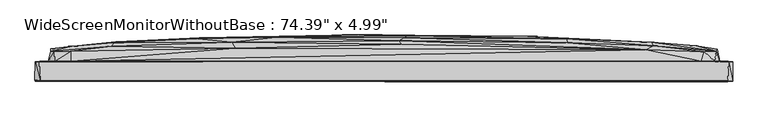
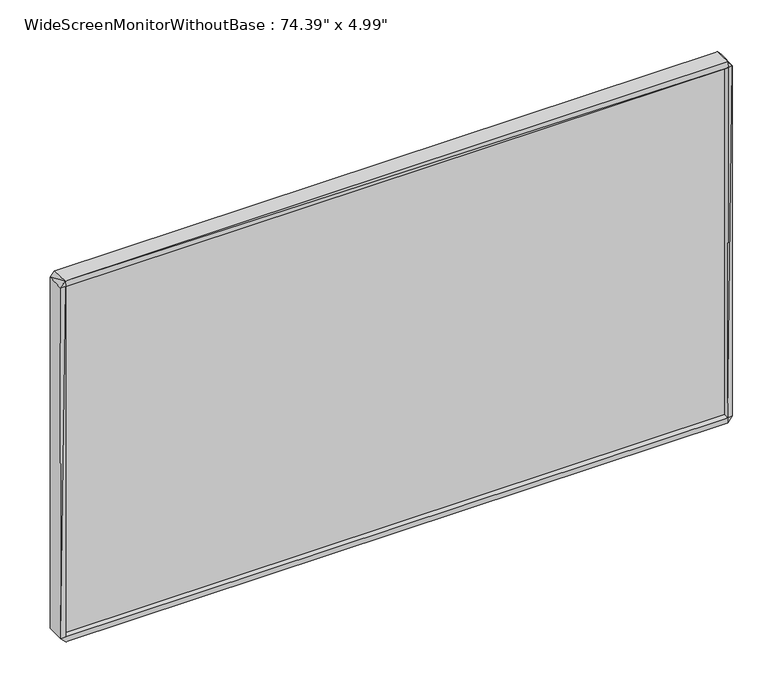
"""IFC4 building model written with IfcOpenShell, lengths in millimetres: furniture geometry."""

from ifc_helpers import new_model, si_unit, origin, place, context, project, spatial, triangles, source, transform, mapped, element, save


def furniture_b0f0b60e(model_context):
    return source(origin(), model_context, "Body", "Tessellation", [
        triangles([(925.3463522, 12.473496, 22.0407831), (925.3463522, 12.473496, 1053.9161207), (925.3463522, 7.773495, 22.0407831), (925.3463522, 7.773495, 1053.9161207), (-925.3882828, 7.773172, 1053.9161207), (-925.3882828, 12.4731712, 1053.9161207), (-925.3882828, 12.4731712, 22.0407831), (-925.3882828, 7.773172, 22.0407831)], [[1, 2, 3], [3, 2, 4], [5, 4, 2], [5, 2, 6], [7, 1, 3], [7, 3, 8], [7, 6, 1], [7, 8, 5], [7, 5, 6], [8, 3, 4], [8, 4, 5], [1, 6, 2]]),
        triangles([(-402.4268535, 86.3641325, 1035.0403833), (706.7213247, 81.5643255, 1035.2402985), (46.1834092, 96.4642064, 999.0404005), (-942.5371634, -2.7801642, 17.2419254), (-941.9370546, 49.419835, 16.4419243), (-931.8370897, 49.6198364, 3.1419253), (-928.637067, -2.1801617, 1.8419256), (-943.4371084, -1.0801644, 1058.1404268), (-928.8371275, -2.7801619, 17.8419263), (-928.8371275, -2.7801619, 1058.1404268), (-941.9370546, 49.7198349, 1059.0402992), (-905.1371206, 51.0198418, 74.5419208), (-869.937089, 51.0198418, 35.6419242), (-907.2371378, 51.1198357, 994.8402935), (876.3763762, 50.0201527, 2.7419253), (929.2764175, 34.2201655, 0.3419255), (928.8763693, -2.879837, 17.8419263), (-925.437117, 19.6198371, 22.0419254), (929.7764597, -2.0798371, 1.8419256), (925.3764376, 19.6201619, 22.0419254), (-925.3370504, 19.6198371, 1053.8403986), (-900.9370863, 77.8640427, 107.1419158), (-891.6370726, 76.2640495, 61.2419241), (-834.6371361, 77.6640458, 40.6419279), (-343.6992971, 87.1641382, 40.5419249), (371.3660677, 87.0642624, 40.8419248), (852.4764542, 76.964352, 41.241923), (842.2764227, 51.1201491, 33.9419235), (891.2764114, 51.0201507, 44.8419213), (941.7763813, 49.620168, 15.0419246), (899.3764257, 77.7643576, 107.1419158), (907.1763857, 51.1201582, 80.6419164), (900.9764008, 83.5643579, 431.4413252), (907.47644, 51.1201582, 981.140403), (941.9764418, 49.420162, 1058.9403053), (925.3764376, 19.6201619, 1053.8403986), (943.376429, -0.9798346, 17.341925), (942.4764112, -2.6798345, 1058.9403053), (929.2764175, -4.0798368, 1058.6403963), (-900.6371046, 77.7640397, 969.7402994), (-900.9370863, 84.1640488, 514.1411465), (-727.6095846, 92.6640659, 146.9417212), (-722.109557, 101.6640707, 353.6414955), (-842.7370777, 92.0640571, 401.0413276), (-495.0544118, 100.6641045, 146.2417276), (-47.2441412, 96.4641973, 76.5419214), (-39.4441449, 105.8641868, 147.0417242), (291.0385217, 103.7642514, 140.9417241), (574.3937551, 97.9642965, 142.1417145), (766.0488808, 93.5643289, 203.3417307), (842.6763983, 90.8643484, 314.3415324), (-493.8544487, 111.9641052, 350.6415333), (-52.744137, 113.764186, 240.1415194), (291.0385217, 115.9642607, 330.4415308), (504.693758, 111.1642902, 337.9415454), (724.9489185, 102.7643306, 435.841311), (-723.6095381, 103.7640697, 537.6410929), (-496.5543929, 114.8641098, 537.6410929), (-62.8441519, 119.9641891, 382.3413425), (-69.7441486, 121.9641852, 537.6410929), (386.8660664, 117.7642598, 537.6410929), (842.6763983, 92.0643478, 671.4409201), (-842.7370777, 90.9640516, 757.1407763), (-729.7096018, 100.3640774, 747.9406837), (722.0488775, 101.664325, 721.540769), (897.5763903, 77.1643579, 983.6403957), (-504.6544072, 111.1641086, 737.3407494), (-290.9993162, 115.9641517, 744.7407337), (62.8834073, 119.9642073, 692.9409159), (493.8937268, 111.9642868, 724.5408039), (52.6834076, 113.7642042, 835.240733), (-737.3095739, 91.9640723, 932.5406078), (-412.1268791, 101.6641252, 934.3405706), (39.4834094, 105.864205, 928.3405735), (495.0937263, 100.6642862, 929.1405973), (727.5488325, 92.6643203, 928.5405613), (-846.1370882, 77.2640521, 1035.0403833), (865.8764357, 76.5643491, 1031.540379), (-929.337097, -1.9801619, 1073.9404072), (-931.2371264, 49.519838, 1072.7403351), (-889.637122, 50.9198479, 1031.7402941), (-846.7370516, 51.1198494, 1042.0403194), (931.5764225, 49.0201638, 1072.840329), (929.1764236, -2.1798369, 1074.0403284), (-890.537067, 76.1640465, 1013.9403631), (857.7764214, 51.1201491, 1042.0403194), (893.4764225, 51.0201507, 1028.4403502)], [[1, 2, 3], [4, 5, 6], [4, 6, 7], [4, 8, 5], [4, 9, 10], [4, 7, 9], [4, 10, 8], [5, 8, 11], [5, 12, 13], [5, 13, 6], [5, 11, 14], [5, 14, 12], [6, 13, 15], [6, 15, 16], [6, 16, 7], [9, 7, 17], [9, 17, 18], [9, 18, 10], [7, 19, 17], [7, 16, 19], [18, 20, 21], [18, 17, 20], [18, 21, 10], [12, 22, 23], [12, 23, 13], [12, 14, 22], [13, 24, 25], [13, 25, 26], [13, 26, 27], [13, 27, 28], [13, 23, 24], [13, 28, 15], [28, 29, 15], [28, 27, 29], [15, 30, 16], [15, 29, 30], [29, 27, 31], [29, 32, 30], [29, 31, 32], [32, 31, 33], [32, 33, 34], [32, 34, 35], [32, 35, 30], [20, 36, 21], [20, 17, 36], [17, 19, 37], [17, 37, 38], [17, 38, 39], [17, 39, 36], [16, 30, 19], [19, 30, 37], [30, 35, 37], [37, 35, 38], [22, 14, 40], [22, 40, 41], [22, 42, 23], [22, 43, 42], [22, 44, 43], [22, 41, 44], [23, 42, 24], [24, 42, 45], [24, 45, 25], [25, 46, 26], [25, 45, 47], [25, 47, 46], [46, 47, 48], [46, 48, 26], [26, 48, 49], [26, 49, 27], [27, 49, 50], [27, 50, 31], [31, 50, 51], [31, 51, 33], [42, 43, 52], [42, 52, 45], [45, 52, 53], [45, 53, 47], [47, 53, 54], [47, 54, 48], [48, 54, 55], [48, 55, 49], [49, 55, 50], [50, 55, 56], [50, 56, 51], [43, 44, 57], [43, 57, 58], [43, 58, 52], [52, 59, 53], [52, 58, 60], [52, 60, 59], [53, 59, 54], [54, 59, 61], [54, 61, 55], [55, 61, 56], [51, 56, 62], [51, 62, 33], [44, 41, 63], [44, 63, 64], [44, 64, 57], [59, 60, 61], [56, 61, 65], [56, 65, 62], [33, 62, 66], [33, 66, 34], [41, 40, 63], [57, 64, 67], [57, 67, 58], [58, 67, 68], [58, 68, 60], [60, 69, 61], [60, 68, 69], [61, 69, 70], [61, 70, 65], [69, 68, 71], [69, 71, 70], [62, 65, 66], [63, 72, 64], [63, 40, 72], [64, 72, 73], [64, 73, 67], [67, 73, 68], [68, 73, 74], [68, 74, 71], [71, 74, 75], [71, 75, 70], [70, 75, 76], [70, 76, 65], [65, 76, 66], [72, 40, 77], [72, 77, 1], [72, 1, 73], [73, 1, 3], [73, 3, 74], [74, 3, 2], [74, 2, 75], [75, 2, 76], [76, 2, 78], [76, 78, 66], [8, 79, 11], [8, 10, 79], [11, 79, 80], [11, 80, 81], [11, 81, 14], [80, 82, 81], [80, 83, 82], [80, 79, 83], [79, 10, 39], [79, 39, 84], [79, 84, 83], [10, 21, 36], [10, 36, 39], [14, 81, 85], [14, 85, 40], [81, 77, 85], [81, 82, 77], [82, 83, 86], [82, 86, 2], [82, 1, 77], [82, 2, 1], [86, 87, 78], [86, 78, 2], [86, 83, 87], [87, 34, 66], [87, 83, 35], [87, 35, 34], [87, 66, 78], [84, 38, 83], [84, 39, 38], [83, 38, 35], [40, 85, 77]]),
    ])


if __name__ == "__main__":
    model = new_model("IFC4")
    model_context = context("Model", 3, world=origin())
    ifc_project = project(units=[si_unit("LENGTHUNIT", "METRE", prefix="MILLI")], contexts=[model_context])
    site = spatial("IfcSite", under=ifc_project)
    building = spatial("IfcBuilding", under=site)
    placement = place(None, origin())
    furniture_shape = furniture_b0f0b60e(model_context)
    element("IfcFurniture", 1, ObjectType="WideScreenMonitorWithoutBase : 74.39\" x 4.99\"", at=placement, inside=building, context=model_context, shape_type="MappedRepresentation", body=[
        mapped(furniture_shape, transform((0.0, 0.0, 0.0), x_axis=(1.0, 0.0, 0.0), y_axis=(0.0, 1.0, 0.0), z_axis=(0.0, 0.0, 1.0))),
    ])
    save(model, "model.ifc")
